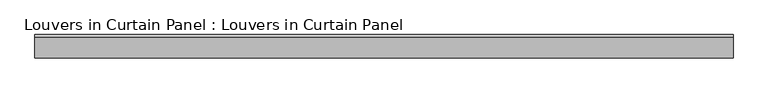
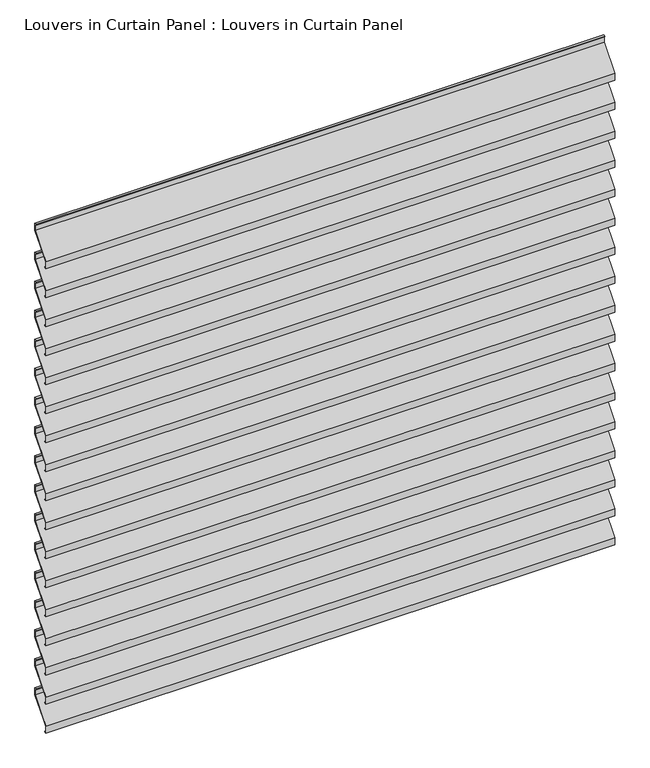
"""IFC4 building model written with IfcOpenShell, lengths in millimetres: plate geometry, Louvers in Curtain Panel : Louvers in Curtain Panel."""

from ifc_helpers import new_model, si_unit, frame, origin, place, context, project, spatial, polyline, outline, extrude, source, transform, mapped, element, save


def louvers_in_curtain_panel_louvers_in_curtain_panel_fb126471(model_context):
    return source(origin(), model_context, "Body", "SweptSolid", [
        extrude(outline(polyline([(22.621875, 1579.4294063), (22.621875, 1561.1731563), (-22.621875, 1507.9919063), (-22.621875, 1492.1169063), (-19.446875, 1492.1169063), (-19.446875, 1490.5294063), (-24.209375, 1490.5294063), (-24.209375, 1508.7856563), (21.034375, 1561.9669063), (21.034375, 1577.8419063), (17.859375, 1577.8419063), (17.859375, 1579.4294063), (22.621875, 1579.4294063)])), frame((-696.9125001, 0.0, 0.0), z_axis=(1.0, 0.0, 0.0), x_axis=(0.0, 1.0, 0.0)), (0.0, 0.0, 1.0), 1393.8250002),
        extrude(outline(polyline([(22.621875, 1504.2172376), (22.621875, 1485.9609876), (-22.621875, 1432.7797376), (-22.621875, 1416.9047376), (-19.446875, 1416.9047376), (-19.446875, 1415.3172376), (-24.209375, 1415.3172376), (-24.209375, 1433.5734876), (21.034375, 1486.7547376), (21.034375, 1502.6297376), (17.859375, 1502.6297376), (17.859375, 1504.2172376), (22.621875, 1504.2172376)])), frame((-696.9125001, 0.0, 0.0), z_axis=(1.0, 0.0, 0.0), x_axis=(0.0, 1.0, 0.0)), (0.0, 0.0, 1.0), 1393.8250002),
        extrude(outline(polyline([(22.621875, 1429.0050688), (22.621875, 1410.7488188), (-22.621875, 1357.5675688), (-22.621875, 1341.6925688), (-19.446875, 1341.6925688), (-19.446875, 1340.1050688), (-24.209375, 1340.1050688), (-24.209375, 1358.3613188), (21.034375, 1411.5425688), (21.034375, 1427.4175688), (17.859375, 1427.4175688), (17.859375, 1429.0050688), (22.621875, 1429.0050688)])), frame((-696.9125001, 0.0, 0.0), z_axis=(1.0, 0.0, 0.0), x_axis=(0.0, 1.0, 0.0)), (0.0, 0.0, 1.0), 1393.8250002),
        extrude(outline(polyline([(22.621875, 1353.7929001), (22.621875, 1335.5366501), (-22.621875, 1282.3554001), (-22.621875, 1266.4804001), (-19.446875, 1266.4804001), (-19.446875, 1264.8929001), (-24.209375, 1264.8929001), (-24.209375, 1283.1491501), (21.034375, 1336.3304001), (21.034375, 1352.2054001), (17.859375, 1352.2054001), (17.859375, 1353.7929001), (22.621875, 1353.7929001)])), frame((-696.9125001, 0.0, 0.0), z_axis=(1.0, 0.0, 0.0), x_axis=(0.0, 1.0, 0.0)), (0.0, 0.0, 1.0), 1393.8250002),
        extrude(outline(polyline([(22.621875, 1278.5807313), (22.621875, 1260.3244813), (-22.621875, 1207.1432313), (-22.621875, 1191.2682313), (-19.446875, 1191.2682313), (-19.446875, 1189.6807313), (-24.209375, 1189.6807313), (-24.209375, 1207.9369813), (21.034375, 1261.1182313), (21.034375, 1276.9932313), (17.859375, 1276.9932313), (17.859375, 1278.5807313), (22.621875, 1278.5807313)])), frame((-696.9125001, 0.0, 0.0), z_axis=(1.0, 0.0, 0.0), x_axis=(0.0, 1.0, 0.0)), (0.0, 0.0, 1.0), 1393.8250002),
        extrude(outline(polyline([(22.621875, 1203.3685626), (22.621875, 1185.1123126), (-22.621875, 1131.9310626), (-22.621875, 1116.0560626), (-19.446875, 1116.0560626), (-19.446875, 1114.4685626), (-24.209375, 1114.4685626), (-24.209375, 1132.7248126), (21.034375, 1185.9060626), (21.034375, 1201.7810626), (17.859375, 1201.7810626), (17.859375, 1203.3685626), (22.621875, 1203.3685626)])), frame((-696.9125001, 0.0, 0.0), z_axis=(1.0, 0.0, 0.0), x_axis=(0.0, 1.0, 0.0)), (0.0, 0.0, 1.0), 1393.8250002),
        extrude(outline(polyline([(22.621875, 1128.1563938), (22.621875, 1109.9001438), (-22.621875, 1056.7188938), (-22.621875, 1040.8438938), (-19.446875, 1040.8438938), (-19.446875, 1039.2563938), (-24.209375, 1039.2563938), (-24.209375, 1057.5126438), (21.034375, 1110.6938938), (21.034375, 1126.5688938), (17.859375, 1126.5688938), (17.859375, 1128.1563938), (22.621875, 1128.1563938)])), frame((-696.9125001, 0.0, 0.0), z_axis=(1.0, 0.0, 0.0), x_axis=(0.0, 1.0, 0.0)), (0.0, 0.0, 1.0), 1393.8250002),
        extrude(outline(polyline([(22.621875, 1052.944225), (22.621875, 1034.687975), (-22.621875, 981.506725), (-22.621875, 965.631725), (-19.446875, 965.631725), (-19.446875, 964.044225), (-24.209375, 964.044225), (-24.209375, 982.300475), (21.034375, 1035.481725), (21.034375, 1051.356725), (17.859375, 1051.356725), (17.859375, 1052.944225), (22.621875, 1052.944225)])), frame((-696.9125001, 0.0, 0.0), z_axis=(1.0, 0.0, 0.0), x_axis=(0.0, 1.0, 0.0)), (0.0, 0.0, 1.0), 1393.8250002),
        extrude(outline(polyline([(22.621875, 977.7320563), (22.621875, 959.4758063), (-22.621875, 906.2945563), (-22.621875, 890.4195563), (-19.446875, 890.4195563), (-19.446875, 888.8320563), (-24.209375, 888.8320563), (-24.209375, 907.0883063), (21.034375, 960.2695563), (21.034375, 976.1445563), (17.859375, 976.1445563), (17.859375, 977.7320563), (22.621875, 977.7320563)])), frame((-696.9125001, 0.0, 0.0), z_axis=(1.0, 0.0, 0.0), x_axis=(0.0, 1.0, 0.0)), (0.0, 0.0, 1.0), 1393.8250002),
        extrude(outline(polyline([(22.621875, 902.5198875), (22.621875, 884.2636375), (-22.621875, 831.0823875), (-22.621875, 815.2073875), (-19.446875, 815.2073875), (-19.446875, 813.6198875), (-24.209375, 813.6198875), (-24.209375, 831.8761375), (21.034375, 885.0573875), (21.034375, 900.9323875), (17.859375, 900.9323875), (17.859375, 902.5198875), (22.621875, 902.5198875)])), frame((-696.9125001, 0.0, 0.0), z_axis=(1.0, 0.0, 0.0), x_axis=(0.0, 1.0, 0.0)), (0.0, 0.0, 1.0), 1393.8250002),
        extrude(outline(polyline([(22.621875, 827.3077188), (22.621875, 809.0514688), (-22.621875, 755.8702188), (-22.621875, 739.9952188), (-19.446875, 739.9952188), (-19.446875, 738.4077188), (-24.209375, 738.4077188), (-24.209375, 756.6639688), (21.034375, 809.8452188), (21.034375, 825.7202188), (17.859375, 825.7202188), (17.859375, 827.3077188), (22.621875, 827.3077188)])), frame((-696.9125001, 0.0, 0.0), z_axis=(1.0, 0.0, 0.0), x_axis=(0.0, 1.0, 0.0)), (0.0, 0.0, 1.0), 1393.8250002),
        extrude(outline(polyline([(22.621875, 752.09555), (22.621875, 733.8393), (-22.621875, 680.65805), (-22.621875, 664.78305), (-19.446875, 664.78305), (-19.446875, 663.19555), (-24.209375, 663.19555), (-24.209375, 681.4518), (21.034375, 734.63305), (21.034375, 750.50805), (17.859375, 750.50805), (17.859375, 752.09555), (22.621875, 752.09555)])), frame((-696.9125001, 0.0, 0.0), z_axis=(1.0, 0.0, 0.0), x_axis=(0.0, 1.0, 0.0)), (0.0, 0.0, 1.0), 1393.8250002),
        extrude(outline(polyline([(22.621875, 676.8833813), (22.621875, 658.6271313), (-22.621875, 605.4458813), (-22.621875, 589.5708813), (-19.446875, 589.5708813), (-19.446875, 587.9833813), (-24.209375, 587.9833813), (-24.209375, 606.2396313), (21.034375, 659.4208813), (21.034375, 675.2958813), (17.859375, 675.2958813), (17.859375, 676.8833813), (22.621875, 676.8833813)])), frame((-696.9125001, 0.0, 0.0), z_axis=(1.0, 0.0, 0.0), x_axis=(0.0, 1.0, 0.0)), (0.0, 0.0, 1.0), 1393.8250002),
        extrude(outline(polyline([(22.621875, 601.6712125), (22.621875, 583.4149625), (-22.621875, 530.2337125), (-22.621875, 514.3587125), (-19.446875, 514.3587125), (-19.446875, 512.7712125), (-24.209375, 512.7712125), (-24.209375, 531.0274625), (21.034375, 584.2087125), (21.034375, 600.0837125), (17.859375, 600.0837125), (17.859375, 601.6712125), (22.621875, 601.6712125)])), frame((-696.9125001, 0.0, 0.0), z_axis=(1.0, 0.0, 0.0), x_axis=(0.0, 1.0, 0.0)), (0.0, 0.0, 1.0), 1393.8250002),
        extrude(outline(polyline([(22.621875, 526.4590438), (22.621875, 508.2027938), (-22.621875, 455.0215438), (-22.621875, 439.1465438), (-19.446875, 439.1465438), (-19.446875, 437.5590438), (-24.209375, 437.5590438), (-24.209375, 455.8152938), (21.034375, 508.9965438), (21.034375, 524.8715438), (17.859375, 524.8715438), (17.859375, 526.4590438), (22.621875, 526.4590438)])), frame((-696.9125001, 0.0, 0.0), z_axis=(1.0, 0.0, 0.0), x_axis=(0.0, 1.0, 0.0)), (0.0, 0.0, 1.0), 1393.8250002),
        extrude(outline(polyline([(22.621875, 1654.6415751), (22.621875, 1636.3853251), (-22.621875, 1583.2040751), (-22.621875, 1567.3290751), (-19.446875, 1567.3290751), (-19.446875, 1565.7415751), (-24.209375, 1565.7415751), (-24.209375, 1583.9978251), (21.034375, 1637.1790751), (21.034375, 1653.0540751), (17.859375, 1653.0540751), (17.859375, 1654.6415751), (22.621875, 1654.6415751)])), frame((-696.9125001, 0.0, 0.0), z_axis=(1.0, 0.0, 0.0), x_axis=(0.0, 1.0, 0.0)), (0.0, 0.0, 1.0), 1393.8250002),
        extrude(outline(polyline([(22.621875, 451.246875), (22.621875, 432.990625), (-22.621875, 379.809375), (-22.621875, 363.934375), (-19.446875, 363.934375), (-19.446875, 362.346875), (-24.209375, 362.346875), (-24.209375, 380.603125), (21.034375, 433.784375), (21.034375, 449.659375), (17.859375, 449.659375), (17.859375, 451.246875), (22.621875, 451.246875)])), frame((-696.9125001, 0.0, 0.0), z_axis=(1.0, 0.0, 0.0), x_axis=(0.0, 1.0, 0.0)), (0.0, 0.0, 1.0), 1393.8250002),
    ])


if __name__ == "__main__":
    model = new_model("IFC4")
    model_context = context("Model", 3, world=origin())
    ifc_project = project(units=[si_unit("LENGTHUNIT", "METRE", prefix="MILLI")], contexts=[model_context])
    site = spatial("IfcSite", under=ifc_project)
    building = spatial("IfcBuilding", under=site)
    placement = place(None, origin())
    louvers_in_curtain_panel_louvers_in_curtain_panel_shape = louvers_in_curtain_panel_louvers_in_curtain_panel_fb126471(model_context)
    element("IfcPlate", 1, ObjectType="Louvers in Curtain Panel : Louvers in Curtain Panel", at=placement, inside=building, context=model_context, shape_type="MappedRepresentation", body=[
        mapped(louvers_in_curtain_panel_louvers_in_curtain_panel_shape, transform((0.0, 0.0, 0.0), x_axis=(1.0, 0.0, 0.0), y_axis=(0.0, 1.0, 0.0), z_axis=(0.0, 0.0, 1.0))),
    ])
    save(model, "model.ifc")
